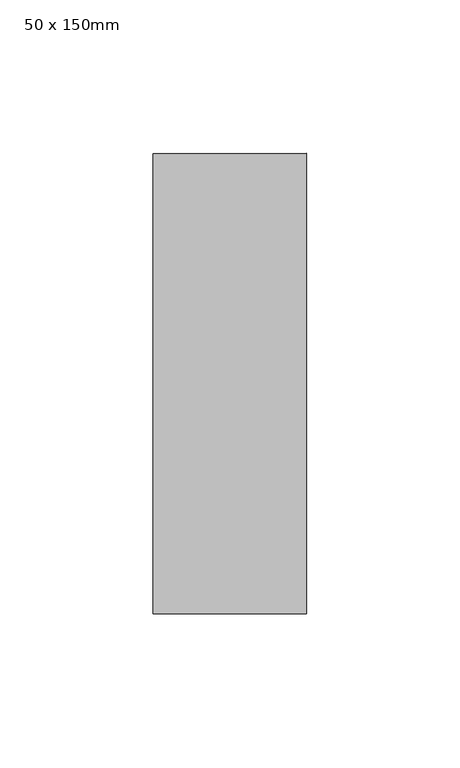
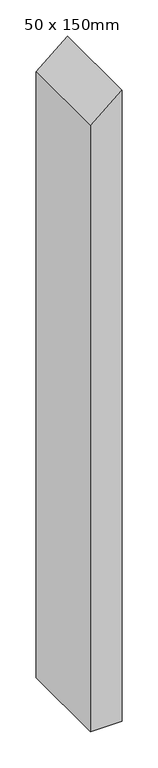
"""IFC4 building model written with IfcOpenShell, lengths in millimetres: member geometry, 50 x 150mm."""

from ifc_helpers import new_model, si_unit, frame, origin, place, context, project, spatial, polyline, outline, extrude, source, transform, mapped, element, save


def member_50_x_150mm_1b6a9ec4(model_context):
    return source(origin(), model_context, "Body", "SweptSolid", [
        extrude(outline(polyline([(0.0, 0.0), (-42.1657323, -50.0), (-1061.0314432, -50.0), (-1061.0314432, 0.0), (0.0, 0.0)])), frame((0.0, -75.0, 0.0), z_axis=(0.0, 1.0, 0.0), x_axis=(0.0, 0.0, 1.0)), (0.0, 0.0, 1.0), 150.0),
    ])


if __name__ == "__main__":
    model = new_model("IFC4")
    model_context = context("Model", 3, world=origin())
    ifc_project = project(units=[si_unit("LENGTHUNIT", "METRE", prefix="MILLI")], contexts=[model_context])
    site = spatial("IfcSite", under=ifc_project)
    building = spatial("IfcBuilding", under=site)
    placement = place(None, origin())
    member_50_x_150mm_shape = member_50_x_150mm_1b6a9ec4(model_context)
    element("IfcMember", 1, ObjectType="50 x 150mm", at=placement, inside=building, context=model_context, shape_type="MappedRepresentation", body=[
        mapped(member_50_x_150mm_shape, transform((0.0, 0.0, 0.0), x_axis=(1.0, 0.0, 0.0), y_axis=(0.0, 1.0, 0.0), z_axis=(0.0, 0.0, 1.0))),
    ])
    save(model, "model.ifc")
